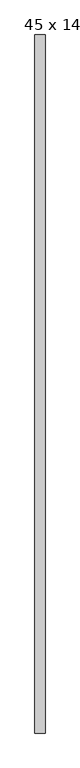
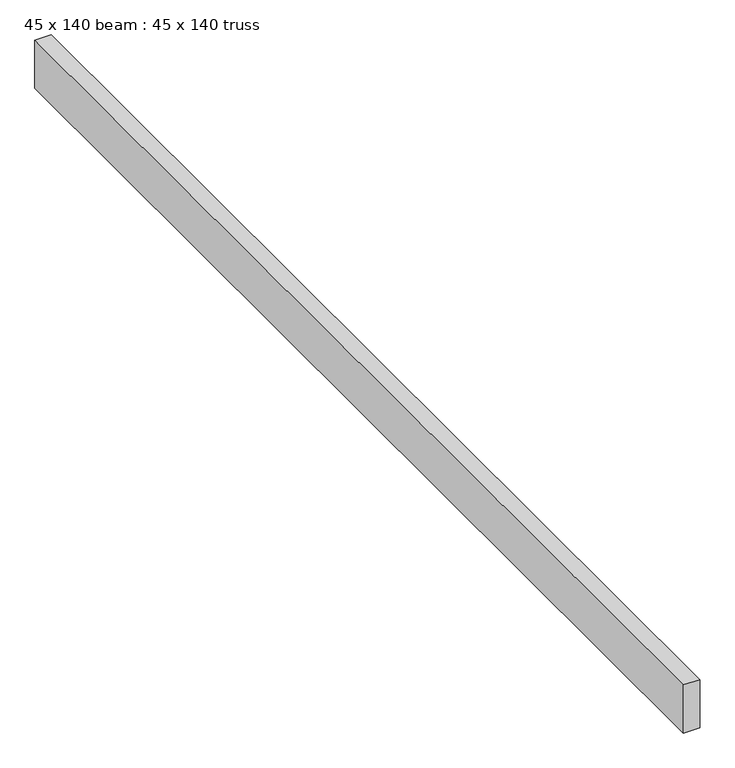
"""IFC4 building model written with IfcOpenShell, lengths in millimetres: proxy geometry, 45 x 140 beam : 45 x 140 truss."""

from ifc_helpers import new_model, si_unit, frame, origin, place, context, project, spatial, polyline, outline, extrude, source, transform, mapped, element, save


def proxy_45_x_140_beam_45_x_140_truss_313b2cad(model_context):
    return source(origin(), model_context, "Body", "SweptSolid", [
        extrude(outline(polyline([(-11597.1861291, -1346.7884221), (-11642.1861291, -1346.7884221), (-11642.1861291, 1743.2115779), (-11597.1861291, 1743.2115779), (-11597.1861291, -1346.7884221)])), frame((0.0, 0.0, 3644.2452806), z_axis=(0.0, 0.0, 1.0), x_axis=(1.0, 0.0, 0.0)), (0.0, 0.0, 1.0), 140.0),
    ])


if __name__ == "__main__":
    model = new_model("IFC4")
    model_context = context("Model", 3, world=origin())
    ifc_project = project(units=[si_unit("LENGTHUNIT", "METRE", prefix="MILLI")], contexts=[model_context])
    site = spatial("IfcSite", under=ifc_project)
    building = spatial("IfcBuilding", under=site)
    placement = place(None, origin())
    proxy_45_x_140_beam_45_x_140_truss_shape = proxy_45_x_140_beam_45_x_140_truss_313b2cad(model_context)
    element("IfcBuildingElementProxy", 1, Name="45 x 140 beam : 45 x 140 truss", ObjectType="45 x 140 beam : 45 x 140 truss", at=placement, inside=building, context=model_context, shape_type="MappedRepresentation", body=[
        mapped(proxy_45_x_140_beam_45_x_140_truss_shape, transform((0.0, 0.0, 0.0), x_axis=(1.0, 0.0, 0.0), y_axis=(0.0, 1.0, 0.0), z_axis=(0.0, 0.0, 1.0))),
    ])
    save(model, "model.ifc")
